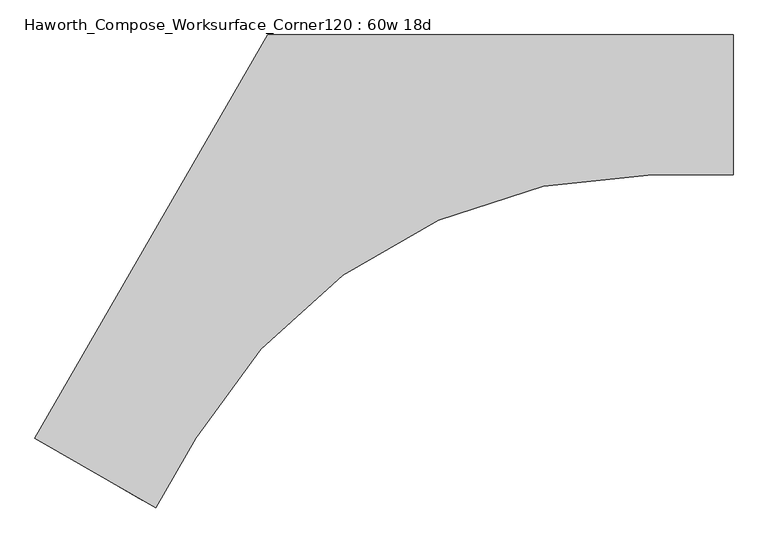
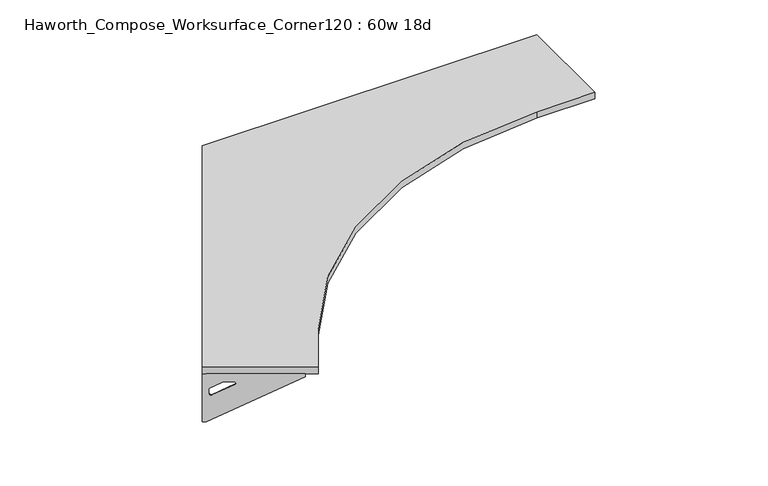
"""IFC4 building model written with IfcOpenShell, lengths in millimetres: furniture geometry, Haworth_Compose_Worksurface_Corner120 : 60w 18d."""

from ifc_helpers import new_model, si_unit, point, frame, frame_2d, origin, place, context, project, spatial, polyline, circle_curve, trimmed, segment, composite_curve, outline, extrude, source, transform, mapped, element, save
from ifc_brep_helpers import plane_surface, revolved_surface, advanced_brep


def haworth_compose_worksurface_corner120_60w_18d_83732284(model_context):
    return source(origin(), model_context, "Body", "SolidModel", [
        advanced_brep(
        [(759.61875, 304.8, 473.86875), (759.61875, 288.925, 473.86875), (759.61875, -101.6, 690.1317568), (759.61875, -101.6, 702.46875), (759.61875, 288.925, 702.46875), (759.61875, 304.8, 702.46875), (759.61875, 221.490072, 664.36875), (759.61875, 177.8355284, 664.36875), (759.61875, 175.1564235, 654.7830539), (759.61875, 266.8776173, 603.9901439), (759.61875, 276.225, 609.5881969), (759.61875, 276.225, 633.0985246), (759.61875, 274.4730055, 635.9367776), (759.61875, 224.5663437, 663.5738425), (762.0, 304.8, 473.86875), (762.0, 304.8, 702.46875), (762.0, 288.925, 702.46875), (762.0, 288.925, 704.85), (762.0, -101.6, 704.85), (762.0, -101.6, 690.1317568), (762.0, 288.925, 473.86875), (762.0, 221.490072, 664.36875), (762.0, 224.5663437, 663.5738425), (762.0, 274.4730055, 635.9367776), (762.0, 276.225, 633.0985246), (762.0, 276.225, 609.5881969), (762.0, 266.8776173, 603.9901439), (762.0, 175.1564235, 654.7830539), (762.0, 177.8355284, 664.36875), (720.725, -101.6, 704.85), (720.725, -101.6, 702.46875), (720.725, 288.925, 702.46875), (720.725, 288.925, 704.85)],
        [
            (0, 1),
            (1, 2),
            (2, 3),
            (3, 4),
            (4, 5),
            (5, 0),
            (6, 7),
            (7, 8, circle_curve(frame((759.61875, 177.8355284, 659.2015106), z_axis=(1.0, 0.0, 0.0), x_axis=(0.0, -1.0, 0.0)), 5.1672394)),
            (8, 9),
            (9, 10, circle_curve(frame((759.61875, 269.875, 609.5881969), z_axis=(1.0, 0.0, 0.0), x_axis=(0.0, -1.0, 0.0)), 6.35)),
            (10, 11),
            (11, 12, circle_curve(frame((759.61875, 273.05, 633.0985246), z_axis=(1.0, 0.0, 0.0), x_axis=(0.0, -1.0, 0.0)), 3.175)),
            (12, 13),
            (13, 6, circle_curve(frame((759.61875, 221.490072, 658.01875), z_axis=(1.0, 0.0, 0.0), x_axis=(0.0, -1.0, 0.0)), 6.35)),
            (14, 15),
            (15, 16),
            (16, 17),
            (17, 18),
            (18, 19),
            (19, 20),
            (20, 14),
            (21, 22, circle_curve(frame((762.0, 221.490072, 658.01875), z_axis=(-1.0, 0.0, 0.0), x_axis=(0.0, -1.0, 0.0)), 6.35)),
            (22, 23),
            (23, 24, circle_curve(frame((762.0, 273.05, 633.0985246), z_axis=(-1.0, 0.0, 0.0), x_axis=(0.0, -1.0, 0.0)), 3.175)),
            (24, 25),
            (25, 26, circle_curve(frame((762.0, 269.875, 609.5881969), z_axis=(-1.0, 0.0, 0.0), x_axis=(0.0, -1.0, 0.0)), 6.35)),
            (26, 27),
            (27, 28, circle_curve(frame((762.0, 177.8355284, 659.2015106), z_axis=(-1.0, 0.0, 0.0), x_axis=(0.0, -1.0, 0.0)), 5.1672394)),
            (28, 21),
            (4, 16),
            (15, 5),
            (14, 0),
            (20, 1),
            (19, 2),
            (18, 29),
            (29, 30),
            (30, 3),
            (6, 21),
            (28, 7),
            (9, 26),
            (25, 10),
            (24, 11),
            (23, 12),
            (27, 8),
            (31, 4),
            (30, 31),
            (32, 29),
            (17, 32),
            (31, 32),
            (22, 13),
        ],
        [
            plane_surface(frame((759.61875, 304.8, 473.86875), z_axis=(-1.0, 0.0, 0.0), x_axis=(0.0, 1.0, 0.0))),
            plane_surface(frame((762.0, 304.8, 473.86875), z_axis=(1.0, 0.0, 0.0), x_axis=(0.0, -1.0, 0.0))),
            plane_surface(frame((762.0, -101.6, 702.46875), z_axis=(0.0, 0.0, 1.0), x_axis=(-1.0, 0.0, 0.0))),
            plane_surface(frame((762.0, 304.8, 702.46875), z_axis=(0.0, 1.0, 0.0), x_axis=(-1.0, 0.0, 0.0))),
            plane_surface(frame((762.0, 304.8, 473.86875), z_axis=(0.0, 0.0, -1.0), x_axis=(-1.0, 0.0, 0.0))),
            plane_surface(frame((762.0, 288.925, 473.86875), z_axis=(0.0, -0.4844522351345575, -0.8748177135112957), x_axis=(-1.0, 0.0, 0.0))),
            plane_surface(frame((762.0, -101.6, 690.1317568), z_axis=(0.0, -1.0, 0.0), x_axis=(-1.0, 0.0, 0.0))),
            plane_surface(frame((762.0, 221.490072, 664.36875), z_axis=(0.0, 0.0, -1.0), x_axis=(-1.0, 0.0, 0.0))),
            revolved_surface(polyline([(759.61875, 263.525, 609.5881969), (762.0, 263.525, 609.5881969)]), (762.0, 269.875, 609.5881969), (-1.0, 0.0, 0.0)),
            plane_surface(frame((762.0, 276.225, 609.5881969), z_axis=(0.0, -1.0, 0.0), x_axis=(-1.0, 0.0, 0.0))),
            revolved_surface(polyline([(759.61875, 269.875, 633.0985246), (762.0, 269.875, 633.0985246)]), (762.0, 273.05, 633.0985246), (-1.0, 0.0, 0.0)),
            revolved_surface(polyline([(759.61875, 172.668289, 659.2015106), (762.0, 172.668289, 659.2015106)]), (762.0, 177.8355284, 659.2015106), (-1.0, 0.0, 0.0)),
            plane_surface(frame((762.0, 288.925, 702.46875), z_axis=(0.0, 0.0, -1.0), x_axis=(-1.0, 0.0, 0.0))),
            plane_surface(frame((762.0, 288.925, 704.85), z_axis=(0.0, 0.0, 1.0), x_axis=(1.0, 0.0, 0.0))),
            plane_surface(frame((720.725, 288.925, 704.85), z_axis=(0.0, 1.0, 0.0), x_axis=(0.0, 0.0, -1.0))),
            plane_surface(frame((720.725, -101.6, 704.85), z_axis=(-1.0, 0.0, 0.0), x_axis=(0.0, 0.0, -1.0))),
            plane_surface(frame((762.0, 175.1564235, 654.7830539), z_axis=(0.0, 0.4844522351341526, 0.8748177135115199), x_axis=(-1.0, 0.0, 0.0))),
            plane_surface(frame((762.0, 274.4730055, 635.9367776), z_axis=(0.0, -0.48445223513456226, -0.874817713511293), x_axis=(-1.0, 0.0, 0.0))),
            revolved_surface(polyline([(759.61875, 215.140072, 658.01875), (762.0, 215.140072, 658.01875)]), (762.0, 221.490072, 658.01875), (-1.0, 0.0, 0.0)),
        ],
        [
            (0, [[1, 2, 3, 4, 5, 6], [7, 8, 9, 10, 11, 12, 13, 14]]),
            (1, [[15, 16, 17, 18, 19, 20, 21], [22, 23, 24, 25, 26, 27, 28, 29]]),
            (2, [[-5, 30, -16, 31]]),
            (3, [[-31, -15, 32, -6]]),
            (4, [[-32, -21, 33, -1]]),
            (5, [[-33, -20, 34, -2]]),
            (6, [[-34, -19, 35, 36, 37, -3]]),
            (7, [[38, -29, 39, -7]]),
            (8, [[40, -26, 41, -10]]),
            (9, [[-41, -25, 42, -11]]),
            (10, [[-42, -24, 43, -12]]),
            (11, [[-39, -28, 44, -8]]),
            (12, [[45, -4, -37, 46]]),
            (13, [[47, -35, -18, 48]]),
            (14, [[-17, -30, -45, 49, -48]]),
            (15, [[-36, -47, -49, -46]]),
            (16, [[-44, -27, -40, -9]]),
            (17, [[-43, -23, 50, -13]]),
            (18, [[-50, -22, -38, -14]]),
        ],
    ),
        advanced_brep(
        [(-1522.809375, -1012.9604924, 473.86875), (-1522.809375, -1012.9604924, 702.46875), (-1509.0612217, -1020.8979924, 702.46875), (-1170.8566509, -1216.1604924, 702.46875), (-1170.8566509, -1216.1604924, 690.1317568), (-1509.0612217, -1020.8979924, 473.86875), (-1450.660861, -1054.6154564, 664.36875), (-1453.3249904, -1053.0773205, 663.5738425), (-1496.5454274, -1028.1239896, 635.9367776), (-1498.0626991, -1027.2479924, 633.0985246), (-1498.0626991, -1027.2479924, 609.5881969), (-1489.9676282, -1031.9216837, 603.9901439), (-1410.5347443, -1077.7822806, 654.7830539), (-1412.8549172, -1076.4427282, 664.36875), (-1524.0, -1015.0227154, 473.86875), (-1510.2518467, -1022.9602154, 473.86875), (-1172.0472759, -1218.2227154, 690.1317568), (-1172.0472759, -1218.2227154, 704.85), (-1510.2518467, -1022.9602154, 704.85), (-1510.2518467, -1022.9602154, 702.46875), (-1524.0, -1015.0227154, 702.46875), (-1451.851486, -1056.6776794, 664.36875), (-1414.0455422, -1078.5049512, 664.36875), (-1411.7253693, -1079.8445036, 654.7830539), (-1491.1582532, -1033.9839067, 603.9901439), (-1499.2533241, -1029.3102154, 609.5881969), (-1499.2533241, -1029.3102154, 633.0985246), (-1497.7360524, -1030.1862126, 635.9367776), (-1454.5156154, -1055.1395435, 663.5738425), (-1151.4097759, -1182.4775168, 702.46875), (-1151.4097759, -1182.4775168, 704.85), (-1489.6143467, -987.2150168, 702.46875), (-1489.6143467, -987.2150168, 704.85)],
        [
            (0, 1),
            (1, 2),
            (2, 3),
            (3, 4),
            (4, 5),
            (5, 0),
            (6, 7, circle_curve(frame((-1450.660861, -1054.6154564, 658.01875), z_axis=(-0.5000000000000026, -0.8660254037844374, 0.0), x_axis=(0.8660254037844372, -0.5000000000000024, 0.0)), 6.35)),
            (7, 8),
            (8, 9, circle_curve(frame((-1495.3130684, -1028.8354924, 633.0985246), z_axis=(-0.5000000000000026, -0.8660254037844374, 0.0), x_axis=(0.8660254037844372, -0.5000000000000024, 0.0)), 3.175)),
            (9, 10),
            (10, 11, circle_curve(frame((-1492.5634378, -1030.4229924, 609.5881969), z_axis=(-0.5000000000000026, -0.8660254037844374, 0.0), x_axis=(0.8660254037844372, -0.5000000000000024, 0.0)), 6.35)),
            (11, 12),
            (12, 13, circle_curve(frame((-1412.8549172, -1076.4427282, 659.2015106), z_axis=(-0.5000000000000026, -0.8660254037844374, 0.0), x_axis=(0.8660254037844372, -0.5000000000000024, 0.0)), 5.1672394)),
            (13, 6),
            (14, 15),
            (15, 16),
            (16, 17),
            (17, 18),
            (18, 19),
            (19, 20),
            (20, 14),
            (21, 22),
            (22, 23, circle_curve(frame((-1414.0455422, -1078.5049512, 659.2015106), z_axis=(0.5000000000000026, 0.8660254037844374, 0.0), x_axis=(0.8660254037844372, -0.5000000000000024, 0.0)), 5.1672394)),
            (23, 24),
            (24, 25, circle_curve(frame((-1493.7540628, -1032.4852154, 609.5881969), z_axis=(0.5000000000000026, 0.8660254037844374, 0.0), x_axis=(0.8660254037844372, -0.5000000000000024, 0.0)), 6.35)),
            (25, 26),
            (26, 27, circle_curve(frame((-1496.5036934, -1030.8977154, 633.0985246), z_axis=(0.5000000000000026, 0.8660254037844374, 0.0), x_axis=(0.8660254037844372, -0.5000000000000024, 0.0)), 3.175)),
            (27, 28),
            (28, 21, circle_curve(frame((-1451.851486, -1056.6776794, 658.01875), z_axis=(0.5000000000000026, 0.8660254037844374, 0.0), x_axis=(0.8660254037844372, -0.5000000000000024, 0.0)), 6.35)),
            (1, 20),
            (19, 2),
            (0, 14),
            (5, 15),
            (4, 16),
            (3, 29),
            (29, 30),
            (30, 17),
            (13, 22),
            (21, 6),
            (10, 25),
            (24, 11),
            (9, 26),
            (8, 27),
            (12, 23),
            (31, 29),
            (2, 31),
            (32, 18),
            (30, 32),
            (32, 31),
            (7, 28),
        ],
        [
            plane_surface(frame((-1522.809375, -1012.9604924, 473.86875), z_axis=(0.5000000000000026, 0.8660254037844373, 0.0), x_axis=(-0.8660254037844373, 0.5000000000000026, 0.0))),
            plane_surface(frame((-1524.0, -1015.0227154, 473.86875), z_axis=(-0.5000000000000026, -0.8660254037844373, 0.0), x_axis=(0.8660254037844373, -0.5000000000000026, 0.0))),
            plane_surface(frame((-1172.0472759, -1218.2227154, 702.46875), z_axis=(0.0, 0.0, 1.0), x_axis=(0.5000000000000011, 0.866025403784438, 0.0))),
            plane_surface(frame((-1524.0, -1015.0227154, 702.46875), z_axis=(-0.866025403784438, 0.5000000000000011, 0.0), x_axis=(0.5000000000000011, 0.866025403784438, 0.0))),
            plane_surface(frame((-1524.0, -1015.0227154, 473.86875), z_axis=(0.0, 0.0, -1.0), x_axis=(0.5000000000000011, 0.866025403784438, 0.0))),
            plane_surface(frame((-1510.2518467, -1022.9602154, 473.86875), z_axis=(0.41954794254667943, -0.24222611756727808, -0.8748177135112957), x_axis=(0.5000000000000011, 0.866025403784438, 0.0))),
            plane_surface(frame((-1172.0472759, -1218.2227154, 690.1317568), z_axis=(0.866025403784438, -0.5000000000000011, 0.0), x_axis=(0.5000000000000011, 0.866025403784438, 0.0))),
            plane_surface(frame((-1451.851486, -1056.6776794, 664.36875), z_axis=(0.0, 0.0, -1.0), x_axis=(0.5000000000000011, 0.866025403784438, 0.0))),
            revolved_surface(polyline([(-1487.0641764519498, -1033.5979923483158, 609.5881969), (-1488.2548014859688, -1035.6602154, 609.5881969)]), (-1493.7540628, -1032.4852154, 609.5881969), (0.5000000000000024, 0.8660254037844372, 0.0)),
            plane_surface(frame((-1499.2533241, -1029.3102154, 609.5881969), z_axis=(0.866025403784438, -0.5000000000000011, 0.0), x_axis=(0.5000000000000011, 0.866025403784438, 0.0))),
            revolved_surface(polyline([(-1492.56343773985, -1030.4229924018098, 633.0985246), (-1493.7540627537305, -1032.485215418613, 633.0985246)]), (-1496.5036934, -1030.8977154, 633.0985246), (0.5000000000000024, 0.8660254037844372, 0.0)),
            revolved_surface(polyline([(-1408.3799565880802, -1079.0263478655236, 659.2015106), (-1409.5705816121642, -1081.0885709000001, 659.2015106)]), (-1414.0455422, -1078.5049512, 659.2015106), (0.5000000000000024, 0.8660254037844372, 0.0)),
            plane_surface(frame((-1510.2518467, -1022.9602154, 702.46875), z_axis=(0.0, 0.0, -1.0), x_axis=(0.5000000000000011, 0.866025403784438, 0.0))),
            plane_surface(frame((-1510.2518467, -1022.9602154, 704.85), z_axis=(0.0, 0.0, 1.0), x_axis=(-0.5000000000000011, -0.866025403784438, 0.0))),
            plane_surface(frame((-1489.6143467, -987.2150168, 704.85), z_axis=(-0.866025403784438, 0.5000000000000011, 0.0), x_axis=(0.0, 0.0, -1.0))),
            plane_surface(frame((-1151.4097759, -1182.4775168, 704.85), z_axis=(0.5000000000000011, 0.866025403784438, 0.0), x_axis=(0.0, 0.0, -1.0))),
            plane_surface(frame((-1411.7253693, -1079.8445036, 654.7830539), z_axis=(-0.41954794254632877, 0.24222611756707563, 0.87481771351152), x_axis=(0.5000000000000011, 0.866025403784438, 0.0))),
            plane_surface(frame((-1497.7360524, -1030.1862126, 635.9367776), z_axis=(0.4195479425466836, -0.24222611756728046, -0.874817713511293), x_axis=(0.5000000000000011, 0.866025403784438, 0.0))),
            revolved_surface(polyline([(-1445.161599650898, -1057.790456346494, 658.01875), (-1446.3522246859688, -1059.8526794, 658.01875)]), (-1451.851486, -1056.6776794, 658.01875), (0.5000000000000024, 0.8660254037844372, 0.0)),
        ],
        [
            (0, [[1, 2, 3, 4, 5, 6], [7, 8, 9, 10, 11, 12, 13, 14]]),
            (1, [[15, 16, 17, 18, 19, 20, 21], [22, 23, 24, 25, 26, 27, 28, 29]]),
            (2, [[30, -20, 31, -2]]),
            (3, [[-1, 32, -21, -30]]),
            (4, [[-6, 33, -15, -32]]),
            (5, [[-5, 34, -16, -33]]),
            (6, [[-4, 35, 36, 37, -17, -34]]),
            (7, [[-14, 38, -22, 39]]),
            (8, [[-11, 40, -25, 41]]),
            (9, [[-10, 42, -26, -40]]),
            (10, [[-9, 43, -27, -42]]),
            (11, [[-13, 44, -23, -38]]),
            (12, [[45, -35, -3, 46]]),
            (13, [[47, -18, -37, 48]]),
            (14, [[-47, 49, -46, -31, -19]]),
            (15, [[-45, -49, -48, -36]]),
            (16, [[-12, -41, -24, -44]]),
            (17, [[-8, 50, -28, -43]]),
            (18, [[-7, -39, -29, -50]]),
        ],
    ),
        extrude(outline(composite_curve([segment(polyline([(-1524.0, -1015.0227154), (-762.0, 304.8), (762.0, 304.8), (762.0, -152.4), (499.163928, -152.4)]), True, "CONTINUOUS"), segment(trimmed(circle_curve(frame_2d((499.163928, -1879.6)), 1727.2), [point((499.163928, -152.4))], [point((-996.6351494, -1016.0))], True, "CARTESIAN"), True, "CONTINUOUS"), segment(polyline([(-996.6351494, -1016.0), (-1128.0531854, -1243.6227154), (-1524.0, -1015.0227154)]), True, "CONTINUOUS")], self_intersect=False)), frame((0.0, 0.0, 706.4375), z_axis=(0.0, 0.0, 1.0), x_axis=(1.0, 0.0, 0.0)), (0.0, 0.0, 1.0), 30.1625),
    ])


if __name__ == "__main__":
    model = new_model("IFC4")
    model_context = context("Model", 3, world=origin())
    ifc_project = project(units=[si_unit("LENGTHUNIT", "METRE", prefix="MILLI")], contexts=[model_context])
    site = spatial("IfcSite", under=ifc_project)
    building = spatial("IfcBuilding", under=site)
    placement = place(None, origin())
    haworth_compose_worksurface_corner120_60w_18d_shape = haworth_compose_worksurface_corner120_60w_18d_83732284(model_context)
    element("IfcFurniture", 1, ObjectType="Haworth_Compose_Worksurface_Corner120 : 60w 18d", at=placement, inside=building, context=model_context, shape_type="MappedRepresentation", body=[
        mapped(haworth_compose_worksurface_corner120_60w_18d_shape, transform((0.0, 0.0, 0.0), x_axis=(1.0, 0.0, 0.0), y_axis=(0.0, 1.0, 0.0), z_axis=(0.0, 0.0, 1.0))),
    ])
    save(model, "model.ifc")
